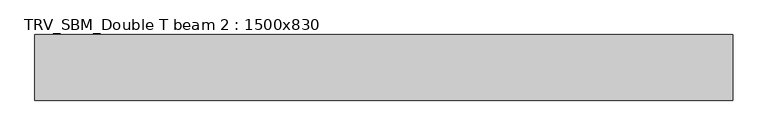
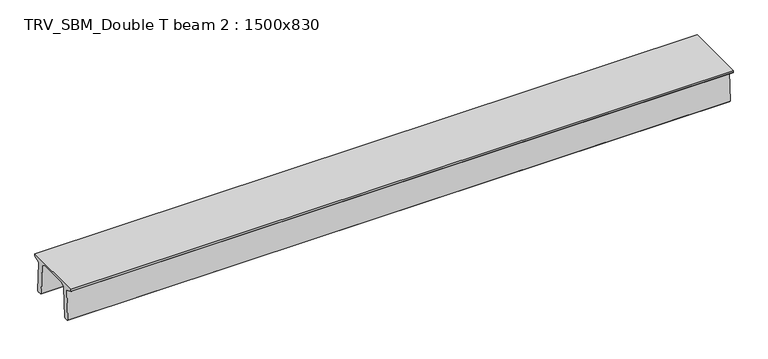
"""IFC4 building model written with IfcOpenShell, lengths in millimetres: beam geometry, TRV_SBM_Double T beam 2 : 1500x830."""

from ifc_helpers import new_model, si_unit, frame, origin, place, context, project, spatial, polyline, outline, extrude, source, transform, mapped, element, save


def trv_sbm_double_t_beam_2_1500x830_bbaa77ec(model_context):
    return source(origin(), model_context, "Body", "SweptSolid", [
        extrude(outline(polyline([(337.4555014, 470.0), (-343.4555014, 470.0), (-456.5828437, 409.8491251), (-494.786332, -340.5206011), (-514.2657308, -360.0), (-604.2657308, -360.0), (-624.8277662, -339.4379646), (-586.9373878, 401.9654693), (-752.8511046, 468.9989621), (-753.0, 475.0), (-753.0, 520.0), (747.0, 520.0), (747.0, 475.0), (746.8511046, 468.9989621), (580.9373878, 401.9654693), (618.8277662, -339.4379646), (598.2657308, -360.0), (508.2657308, -360.0), (488.786332, -340.5206011), (450.5828437, 409.8491251), (337.4555014, 470.0)])), frame((-7941.5, 0.0, 0.0), z_axis=(1.0, 0.0, 0.0), x_axis=(0.0, 1.0, 0.0)), (0.0, 0.0, 1.0), 15960.0),
    ])


if __name__ == "__main__":
    model = new_model("IFC4")
    model_context = context("Model", 3, world=origin())
    ifc_project = project(units=[si_unit("LENGTHUNIT", "METRE", prefix="MILLI")], contexts=[model_context])
    site = spatial("IfcSite", under=ifc_project)
    building = spatial("IfcBuilding", under=site)
    placement = place(None, origin())
    trv_sbm_double_t_beam_2_1500x830_shape = trv_sbm_double_t_beam_2_1500x830_bbaa77ec(model_context)
    element("IfcBeam", 1, ObjectType="TRV_SBM_Double T beam 2 : 1500x830", at=placement, inside=building, context=model_context, shape_type="MappedRepresentation", body=[
        mapped(trv_sbm_double_t_beam_2_1500x830_shape, transform((0.0, 0.0, 0.0), x_axis=(1.0, 0.0, 0.0), y_axis=(0.0, 1.0, 0.0), z_axis=(0.0, 0.0, 1.0))),
    ])
    save(model, "model.ifc")
